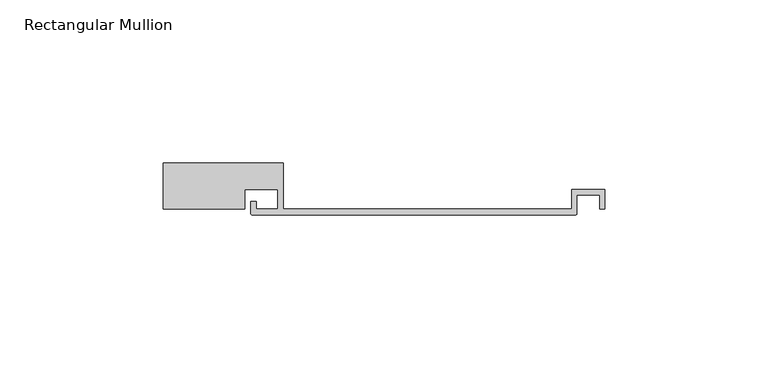
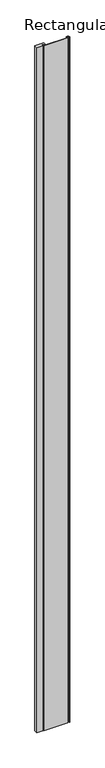
"""IFC4 building model written with IfcOpenShell, lengths in millimetres: member geometry, Rectangular Mullion."""

from ifc_helpers import new_model, si_unit, point, frame, frame_2d, origin, place, context, project, spatial, polyline, circle_curve, trimmed, segment, composite_curve, outline, extrude, source, transform, mapped, element, save


def rectangular_mullion_a10e7440(model_context):
    return source(origin(), model_context, "Body", "SweptSolid", [
        extrude(outline(composite_curve([segment(polyline([(-85.3, -14.2), (-85.3, 0.0), (-48.5, 0.0), (-48.5, -14.2), (40.0, -14.2), (40.0, -8.2), (50.2, -8.2), (50.2, -14.2), (48.6, -14.2), (48.6, -9.8), (41.6, -9.8), (41.6, -15.5)]), True, "CONTINUOUS"), segment(trimmed(circle_curve(frame_2d((41.1, -15.5)), 0.5), [point((41.6, -15.5))], [point((41.1, -16.0))], False, "CARTESIAN"), True, "CONTINUOUS"), segment(polyline([(41.1, -16.0), (-57.9, -16.0)]), True, "CONTINUOUS"), segment(trimmed(circle_curve(frame_2d((-57.9, -15.5)), 0.5), [point((-57.9, -16.0))], [point((-58.4, -15.5))], False, "CARTESIAN"), True, "CONTINUOUS"), segment(polyline([(-58.4, -15.5), (-58.4, -11.8), (-56.8, -11.8), (-56.8, -14.2), (-50.1, -14.2), (-50.1, -8.2), (-60.3, -8.2), (-60.3, -14.2), (-85.3, -14.2)]), True, "CONTINUOUS")], self_intersect=False)), frame((0.0, 0.0, -3000.0), z_axis=(0.0, 0.0, 1.0), x_axis=(1.0, 0.0, 0.0)), (0.0, 0.0, 1.0), 3000.0),
    ])


if __name__ == "__main__":
    model = new_model("IFC4")
    model_context = context("Model", 3, world=origin())
    ifc_project = project(units=[si_unit("LENGTHUNIT", "METRE", prefix="MILLI")], contexts=[model_context])
    site = spatial("IfcSite", under=ifc_project)
    building = spatial("IfcBuilding", under=site)
    placement = place(None, origin())
    rectangular_mullion_shape = rectangular_mullion_a10e7440(model_context)
    element("IfcMember", 1, ObjectType="Rectangular Mullion", at=placement, inside=building, context=model_context, shape_type="MappedRepresentation", body=[
        mapped(rectangular_mullion_shape, transform((0.0, 0.0, 0.0), x_axis=(1.0, 0.0, 0.0), y_axis=(0.0, 1.0, 0.0), z_axis=(0.0, 0.0, 1.0))),
    ])
    save(model, "model.ifc")
